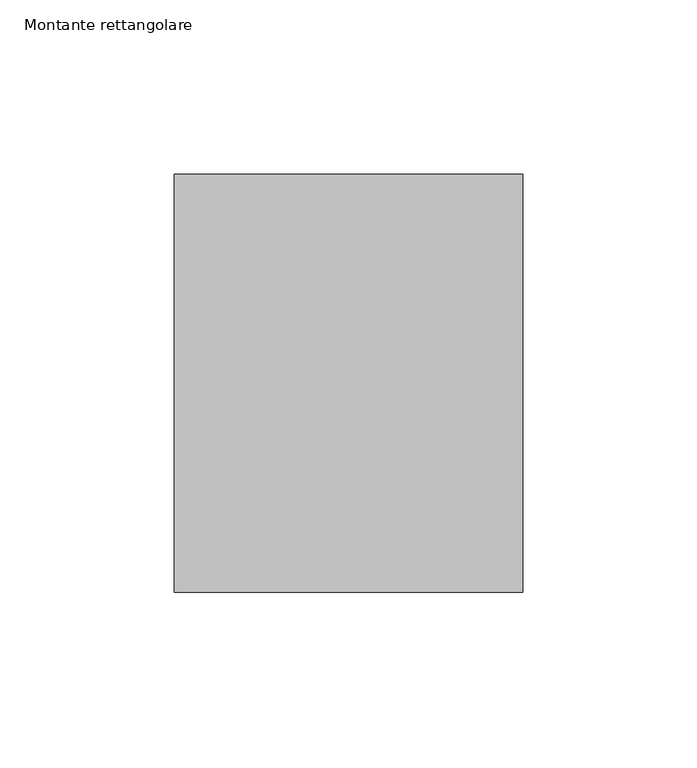
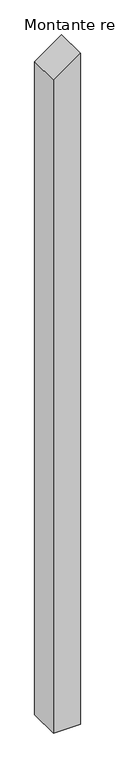
"""IFC4 building model written with IfcOpenShell, lengths in millimetres: member geometry, Montante rettangolare."""

from ifc_helpers import new_model, si_unit, frame, origin, place, context, project, spatial, polyline, outline, extrude, source, transform, mapped, element, save


def montante_rettangolare_23a8095b(model_context):
    return source(origin(), model_context, "Body", "SweptSolid", [
        extrude(outline(polyline([(0.0, 0.0), (-70.3738657, -100.0), (-2628.289073, -100.0), (-2628.289073, 0.0), (0.0, 0.0)])), frame((0.0, -60.0, 0.0), z_axis=(0.0, 1.0, 0.0), x_axis=(0.0, 0.0, 1.0)), (0.0, 0.0, 1.0), 120.0),
    ])


if __name__ == "__main__":
    model = new_model("IFC4")
    model_context = context("Model", 3, world=origin())
    ifc_project = project(units=[si_unit("LENGTHUNIT", "METRE", prefix="MILLI")], contexts=[model_context])
    site = spatial("IfcSite", under=ifc_project)
    building = spatial("IfcBuilding", under=site)
    placement = place(None, origin())
    montante_rettangolare_shape = montante_rettangolare_23a8095b(model_context)
    element("IfcMember", 1, ObjectType="Montante rettangolare", at=placement, inside=building, context=model_context, shape_type="MappedRepresentation", body=[
        mapped(montante_rettangolare_shape, transform((0.0, 0.0, 0.0), x_axis=(1.0, 0.0, 0.0), y_axis=(0.0, 1.0, 0.0), z_axis=(0.0, 0.0, 1.0))),
    ])
    save(model, "model.ifc")
